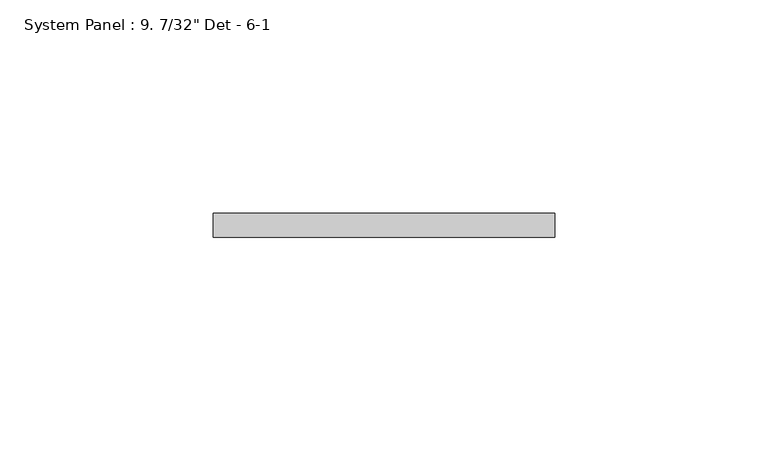
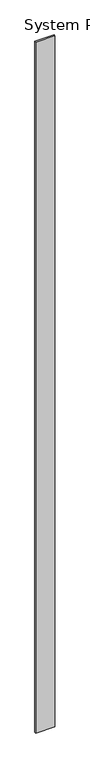
"""IFC4 building model written with IfcOpenShell, lengths in millimetres: plate geometry."""

from ifc_helpers import new_model, si_unit, origin, origin_with_axes, place, context, project, spatial, polyline, outline, extrude, source, transform, mapped, element, save


def plate_1367e2bf(model_context):
    return source(origin(), model_context, "Body", "SweptSolid", [
        extrude(outline(polyline([(39.974536, 7.9375), (-39.974536, 7.9375), (-39.974536, 13.49375), (39.974536, 13.49375), (39.974536, 7.9375)])), origin_with_axes(), (0.0, 0.0, 1.0), 3048.0),
    ])


if __name__ == "__main__":
    model = new_model("IFC4")
    model_context = context("Model", 3, world=origin())
    ifc_project = project(units=[si_unit("LENGTHUNIT", "METRE", prefix="MILLI")], contexts=[model_context])
    site = spatial("IfcSite", under=ifc_project)
    building = spatial("IfcBuilding", under=site)
    placement = place(None, origin())
    plate_shape = plate_1367e2bf(model_context)
    element("IfcPlate", 1, ObjectType="System Panel : 9. 7/32\" Det - 6-1", at=placement, inside=building, context=model_context, shape_type="MappedRepresentation", body=[
        mapped(plate_shape, transform((0.0, 0.0, 0.0), x_axis=(1.0, 0.0, 0.0), y_axis=(0.0, 1.0, 0.0), z_axis=(0.0, 0.0, 1.0))),
    ])
    save(model, "model.ifc")
